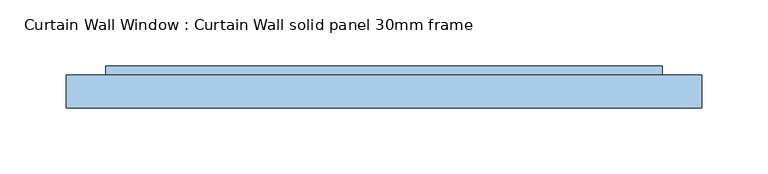
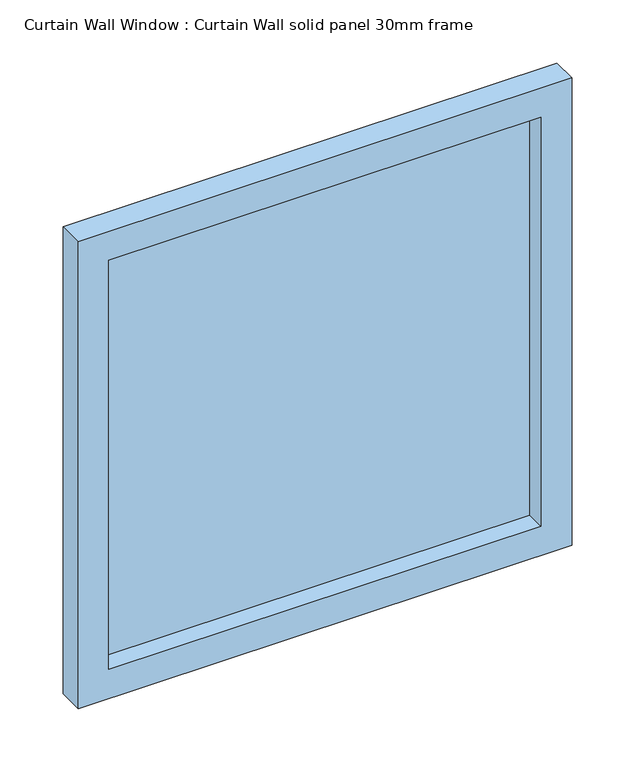
"""IFC4 building model written with IfcOpenShell, lengths in millimetres: window geometry, Curtain Wall Window : Curtain Wall solid panel 30mm frame."""

import ifcopenshell
import ifcopenshell.guid

model = None  # the IFC model being written
_history = None  # IfcOwnerHistory: only IFC2X3 demands one
_inside = {}  # id of a spatial element -> (the spatial element, [elements in it])
_under = {}  # id of a project, library or spatial element -> (it, [spatial elements below it])
_declared = {}  # id of a project -> (the project, [libraries it declares])
_typed = {}  # id of a type object -> (the type object, [elements of that type])
_made_of = {}  # id of a material, layer set ... -> (it, [elements and type objects made of it])


def new_model(schema):
    """Start an empty IFC model of exactly this schema.

    Asked for "IFC4X3", IfcOpenShell would pick the latest addendum, in which some entities
    have other attributes; the version numbers below select the first issue.
    IFC2X3 requires an IfcOwnerHistory on every rooted entity: one is made here for all.
    """
    global model, _history
    if schema == "IFC4X3":
        model = ifcopenshell.file(schema_version=(4, 3, 0, 0))
    else:
        model = ifcopenshell.file(schema=schema)
    _inside.clear()
    _under.clear()
    _declared.clear()
    _typed.clear()
    _made_of.clear()
    _history = None
    if model.schema == "IFC2X3":
        org = make("IfcOrganization", Name="unknown")
        user = make(
            "IfcPersonAndOrganization",
            ThePerson=make("IfcPerson", FamilyName="unknown"),
            TheOrganization=org,
        )
        app = make(
            "IfcApplication",
            ApplicationDeveloper=org,
            Version="unknown",
            ApplicationFullName="unknown",
            ApplicationIdentifier="unknown",
        )
        _history = make(
            "IfcOwnerHistory",
            OwningUser=user,
            OwningApplication=app,
            ChangeAction="ADDED",
            CreationDate=0,
        )
    return model


def make(cls, **values):
    """One entity of the class cls with the attributes given. An attribute that is None is left unset."""
    return model.create_entity(
        cls, **{name: value for name, value in values.items() if value is not None}
    )


def rooted(cls, **values):
    """An entity with a GlobalId (a new one), such as an element, a storey or a relation."""
    return make(cls, GlobalId=ifcopenshell.guid.new(), OwnerHistory=_history, **values)


def si_unit(unit_type, name, prefix=None):
    """IfcSIUnit, for example si_unit("LENGTHUNIT", "METRE", prefix="MILLI")."""
    return make("IfcSIUnit", UnitType=unit_type, Prefix=prefix, Name=name)


def assignment(units):
    """IfcUnitAssignment: the units of a project."""
    return None if units is None else make("IfcUnitAssignment", Units=units)


def point(xyz):
    """IfcCartesianPoint."""
    return None if xyz is None else make("IfcCartesianPoint", Coordinates=xyz)


def direction(xyz):
    """IfcDirection."""
    return None if xyz is None else make("IfcDirection", DirectionRatios=xyz)


def frame(location, z_axis=None, x_axis=None):
    """IfcAxis2Placement3D, a coordinate frame: its origin and axes. An axis left out is left unset."""
    return make(
        "IfcAxis2Placement3D",
        Location=point(location),
        Axis=direction(z_axis),
        RefDirection=direction(x_axis),
    )


def origin():
    """The frame at (0, 0, 0) with its axes left unset."""
    return frame((0.0, 0.0, 0.0))


def place(relative_to, where):
    """IfcLocalPlacement: puts the frame where relative to a parent placement (None: the world)."""
    return make(
        "IfcLocalPlacement", PlacementRelTo=relative_to, RelativePlacement=where
    )


def context(
    kind, dimensions, precision=None, world=None, true_north=None, identifier=None
):
    """IfcGeometricRepresentationContext, for example the 3D "Model" context."""
    return make(
        "IfcGeometricRepresentationContext",
        ContextIdentifier=identifier,
        ContextType=kind,
        CoordinateSpaceDimension=dimensions,
        Precision=precision,
        WorldCoordinateSystem=world,
        TrueNorth=true_north,
    )


def project(units=None, contexts=None):
    """IfcProject with its units and contexts."""
    return rooted(
        "IfcProject",
        Name="project",
        RepresentationContexts=contexts,
        UnitsInContext=assignment(units),
    )


def spatial(cls, under=None, at=None, **own):
    """A site, building, storey or space (cls), placed at a placement, below another one or the project."""
    s = rooted(cls, ObjectPlacement=at, **own)
    if under is not None:
        _under.setdefault(under.id(), (under, []))[1].append(s)
    return s


def polyline(points):
    """IfcPolyline through the points."""
    return make("IfcPolyline", Points=[point(p) for p in points])


def outline(outer, holes=None, kind="AREA"):
    """IfcArbitraryClosedProfileDef: a profile drawn as a closed curve; with holes, ...WithVoids."""
    if holes is None:
        return make("IfcArbitraryClosedProfileDef", ProfileType=kind, OuterCurve=outer)
    return make(
        "IfcArbitraryProfileDefWithVoids",
        ProfileType=kind,
        OuterCurve=outer,
        InnerCurves=holes,
    )


def extrude(swept, where, along, depth):
    """IfcExtrudedAreaSolid: the profile swept, set in the frame where, extruded along a direction by depth."""
    return make(
        "IfcExtrudedAreaSolid",
        SweptArea=swept,
        Position=where,
        ExtrudedDirection=direction(along),
        Depth=depth,
    )


def shape(context_of_items, identifier, shape_type, items):
    """IfcShapeRepresentation: the items that make up one representation, for example the "Body"."""
    return make(
        "IfcShapeRepresentation",
        ContextOfItems=context_of_items,
        RepresentationIdentifier=identifier,
        RepresentationType=shape_type,
        Items=items,
    )


def source(mapping_origin, context_of_items, identifier, shape_type, items):
    """IfcRepresentationMap: a shape defined once, which mapped items show again and again."""
    return make(
        "IfcRepresentationMap",
        MappingOrigin=mapping_origin,
        MappedRepresentation=shape(context_of_items, identifier, shape_type, items),
    )


def transform(
    local_origin,
    x_axis=None,
    y_axis=None,
    z_axis=None,
    scale=None,
    scale2=None,
    scale3=None,
    uniform=True,
):
    """IfcCartesianTransformationOperator3D, or its non-uniform kind. x_axis, y_axis, z_axis: its Axis1, 2, 3."""
    if uniform:
        return make(
            "IfcCartesianTransformationOperator3D",
            Axis1=direction(x_axis),
            Axis2=direction(y_axis),
            LocalOrigin=point(local_origin),
            Scale=scale,
            Axis3=direction(z_axis),
        )
    return make(
        "IfcCartesianTransformationOperator3DnonUniform",
        Axis1=direction(x_axis),
        Axis2=direction(y_axis),
        LocalOrigin=point(local_origin),
        Scale=scale,
        Axis3=direction(z_axis),
        Scale2=scale2,
        Scale3=scale3,
    )


def mapped(mapping_source, mapping_target):
    """IfcMappedItem: shows the shape of a source again, moved by a transform."""
    return make(
        "IfcMappedItem", MappingSource=mapping_source, MappingTarget=mapping_target
    )


def made_of(thing, what):
    """Note that an element or type object is made of a material, layer set ...; save() writes the relation."""
    if what is not None:
        _made_of.setdefault(what.id(), (what, []))[1].append(thing)
    return thing


def element(
    cls,
    number,
    at=None,
    inside=None,
    cuts=None,
    type_object=None,
    material=None,
    context=None,
    identifier="Body",
    shape_type=None,
    held_by="IfcProductDefinitionShape",
    body=None,
    shapes=None,
    **own,
):
    """One element of the class cls, such as IfcWall. Its Tag is "e" and its number.

    at: its placement. inside: the storey or other place that contains it. cuts: it is an
    opening in that element (IfcRelVoidsElement). A single representation is given by context,
    identifier, shape_type and body (its items); several are given by shapes. held_by: the class
    of the entity that holds the representations. save() writes the other relations.
    """
    e = rooted(cls, Tag="e%d" % number, ObjectPlacement=at, **own)
    if body is not None:
        shapes = [shape(context, identifier, shape_type, body)]
    if shapes is not None:
        e.Representation = make(held_by, Representations=shapes)
    if inside is not None:
        _inside.setdefault(inside.id(), (inside, []))[1].append(e)
    if cuts is not None:
        rooted(
            "IfcRelVoidsElement", RelatingBuildingElement=cuts, RelatedOpeningElement=e
        )
    if type_object is not None:
        _typed.setdefault(type_object.id(), (type_object, []))[1].append(e)
    return made_of(e, material)


def aggregate(whole, parts):
    """IfcRelAggregates: a whole, such as a stair, and the parts it consists of."""
    return rooted("IfcRelAggregates", RelatingObject=whole, RelatedObjects=parts)


def save(model, path):
    """Write the relations noted so far, then the file.

    IfcRelAggregates (storeys below a building ...), IfcRelContainedInSpatialStructure (elements
    in a storey), IfcRelDefinesByType, IfcRelAssociatesMaterial and IfcRelDeclares: one each for
    every whole, place, type object, material and project.
    """
    for whole, parts in _under.values():
        aggregate(whole, parts)
    for where, things in _inside.values():
        rooted(
            "IfcRelContainedInSpatialStructure",
            RelatedElements=things,
            RelatingStructure=where,
        )
    for kind, things in _typed.values():
        rooted("IfcRelDefinesByType", RelatedObjects=things, RelatingType=kind)
    for what, things in _made_of.values():
        rooted("IfcRelAssociatesMaterial", RelatedObjects=things, RelatingMaterial=what)
    for by, libraries in _declared.values():
        rooted("IfcRelDeclares", RelatingContext=by, RelatedDefinitions=libraries)
    model.write(path)


def curtain_wall_window_curtain_wall_solid_panel_30mm_frame_34014b5d(model_context):
    return source(origin(), model_context, "Body", "SweptSolid", [
        extrude(outline(polyline([(210.5000002, 19.05), (-210.5000002, 19.05), (-210.5000002, 31.75), (210.5000002, 31.75), (210.5000002, 19.05)])), frame((0.0, 0.0, 30.0), z_axis=(0.0, 0.0, 1.0), x_axis=(1.0, 0.0, 0.0)), (0.0, 0.0, 1.0), 421.0),
        extrude(outline(polyline([(481.0, -240.5000002), (0.0, -240.5000002), (0.0, 240.5000002), (481.0, 240.5000002), (481.0, -240.5000002)]), holes=[polyline([(451.0, -210.5000002), (451.0, 210.5000002), (30.0, 210.5000002), (30.0, -210.5000002), (451.0, -210.5000002)])]), frame((0.0, 0.0, 0.0), z_axis=(0.0, 1.0, 0.0), x_axis=(0.0, 0.0, 1.0)), (0.0, 0.0, 1.0), 25.0),
    ])


if __name__ == "__main__":
    model = new_model("IFC4")
    model_context = context("Model", 3, world=origin())
    ifc_project = project(units=[si_unit("LENGTHUNIT", "METRE", prefix="MILLI")], contexts=[model_context])
    site = spatial("IfcSite", under=ifc_project)
    building = spatial("IfcBuilding", under=site)
    placement = place(None, origin())
    curtain_wall_window_curtain_wall_solid_panel_30mm_frame_shape = curtain_wall_window_curtain_wall_solid_panel_30mm_frame_34014b5d(model_context)
    element("IfcWindow", 1, ObjectType="Curtain Wall Window : Curtain Wall solid panel 30mm frame", at=placement, inside=building, context=model_context, shape_type="MappedRepresentation", body=[
        mapped(curtain_wall_window_curtain_wall_solid_panel_30mm_frame_shape, transform((0.0, 0.0, 0.0), x_axis=(1.0, 0.0, 0.0), y_axis=(0.0, 1.0, 0.0), z_axis=(0.0, 0.0, 1.0))),
    ])
    save(model, "model.ifc")
